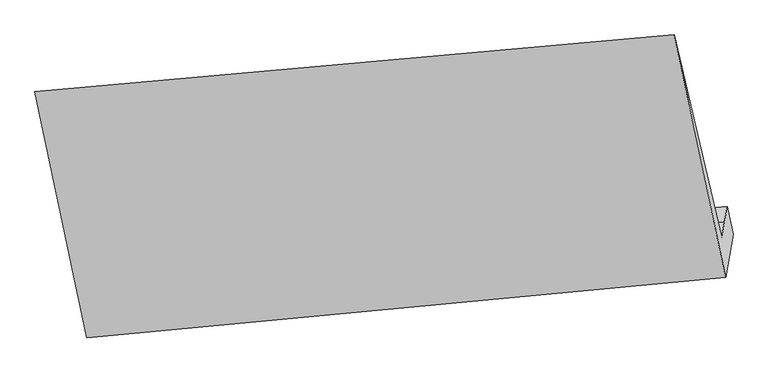
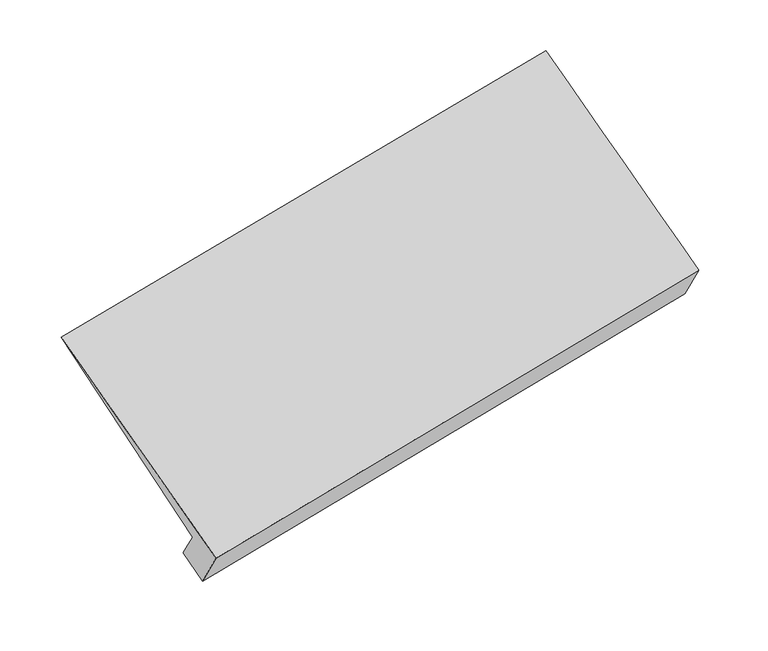
"""IFC4 building model written with IfcOpenShell, lengths in millimetres: proxy geometry."""

from ifc_helpers import new_model, si_unit, frame, origin, place, context, project, spatial, source, transform, mapped, element, save
from ifc_brep_helpers import plane_surface, spline_surface, advanced_brep


def generic_models_15369f15(model_context):
    return source(origin(), model_context, "Body", "AdvancedBrep", [
        advanced_brep(
        [(-5125.0515289, -1755.7028542, 1162.4883169), (-5142.9859388, -1858.3639281, 1305.8439306), (-482.8039568, -1436.5654614, 2167.0180587), (-463.2927358, -1324.8783241, 2011.0584775), (-5160.9203487, -1961.025002, 1449.1995442), (-502.3151777, -1548.2525986, 2322.97764), (-5506.1397263, -486.8307363, 2604.8600379), (-848.5697071, -71.8495197, 3483.1314287), (-5129.5357307, -2280.2494271, 1430.2225669), (-474.2008069, -1839.5042624, 2308.437021), (-5076.8305262, -1978.5515772, 1008.9326002), (-419.5849782, -1526.8695191, 1871.8748093)],
        [
            (0, 1),
            (1, 2),
            (2, 3),
            (3, 0),
            (1, 4),
            (4, 5),
            (5, 2),
            (4, 6),
            (6, 7),
            (7, 5),
            (6, 8),
            (8, 9),
            (9, 7),
            (8, 10),
            (10, 11),
            (11, 9),
            (10, 0),
            (3, 11),
        ],
        [
            plane_surface(frame((-5134.0187339, -1807.0333911, 1234.1661237), z_axis=(-0.17655293702291952, 0.8105747950032279, 0.5583883613884303), x_axis=(-0.10119076492428972, -0.5792413950533796, 0.8088509351856199))),
            plane_surface(frame((-5151.9531438, -1909.6944651, 1377.5217374), z_axis=(-0.17655293702291938, 0.810574795003229, 0.5583883613884286), x_axis=(-0.10119076492428984, -0.5792413950533779, 0.808850935185621))),
            spline_surface(1, 1, [[(-5160.9203487, -1961.025002, 1449.1995442), (-502.3151777, -1548.2525986, 2322.97764)], [(-5506.1397263, -486.8307363, 2604.8600379), (-848.5697071, -71.8495197, 3483.1314287)]], [2, 2], [2, 2], [0.0, 1.0], [0.0, 1.0]),
            spline_surface(1, 1, [[(-5506.1397263, -486.8307363, 2604.8600379), (-848.5697071, -71.8495197, 3483.1314287)], [(-5129.5357307, -2280.2494271, 1430.2225669), (-474.2008069, -1839.5042624, 2308.437021)]], [2, 2], [2, 2], [0.0, 1.0], [0.0, 1.0]),
            plane_surface(frame((-5103.1831284, -2129.4005022, 1219.5775835), z_axis=(0.18184478485699257, -0.8100962627068256, -0.5573836375143678), x_axis=(0.10119076492428986, 0.5792413950533798, -0.8088509351856197))),
            plane_surface(frame((-5100.9410276, -1867.1272157, 1085.7104585), z_axis=(0.09400248063610792, 0.5785994560308806, -0.8101766493271868), x_axis=(-0.1754173367010849, 0.8106743376324983, 0.5586017152576678))),
            plane_surface(frame((-541.5926812, -1262.2708448, 2399.4958753), z_axis=(0.9792799329500913, 0.08536114198349946, 0.18364173915680934), x_axis=(0.10119076492428986, 0.5792413950533798, -0.8088509351856197))),
            plane_surface(frame((-5199.6955722, -1692.4719194, 1531.1406132), z_axis=(-0.9792799329500933, -0.0853611419834912, -0.18364173915680265), x_axis=(0.17541733670107362, -0.8106743376325032, -0.5586017152576642))),
        ],
        [
            (0, [[1, 2, 3, 4]]),
            (1, [[5, 6, 7, -2]]),
            (2, [[8, 9, 10, -6]]),
            (3, [[11, 12, 13, -9]]),
            (4, [[14, 15, 16, -12]]),
            (5, [[17, -4, 18, -15]]),
            (6, [[-16, -18, -3, -7, -10, -13]]),
            (7, [[-17, -14, -11, -8, -5, -1]]),
        ],
    ),
    ])


if __name__ == "__main__":
    model = new_model("IFC4")
    model_context = context("Model", 3, world=origin())
    ifc_project = project(units=[si_unit("LENGTHUNIT", "METRE", prefix="MILLI")], contexts=[model_context])
    site = spatial("IfcSite", under=ifc_project)
    building = spatial("IfcBuilding", under=site)
    placement = place(None, origin())
    generic_models_shape = generic_models_15369f15(model_context)
    element("IfcBuildingElementProxy", 1, Name="Generic Models", at=placement, inside=building, context=model_context, shape_type="MappedRepresentation", body=[
        mapped(generic_models_shape, transform((0.0, 0.0, 0.0), x_axis=(1.0, 0.0, 0.0), y_axis=(0.0, 1.0, 0.0), z_axis=(0.0, 0.0, 1.0))),
    ])
    save(model, "model.ifc")
